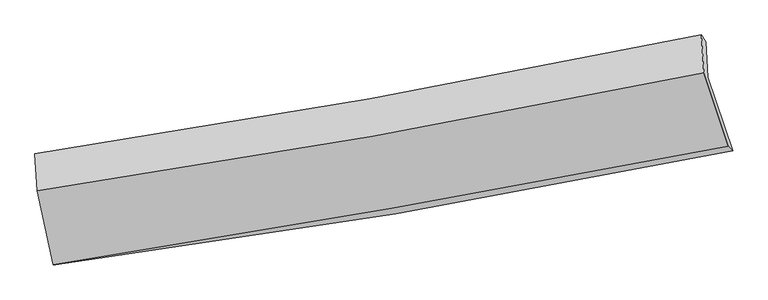
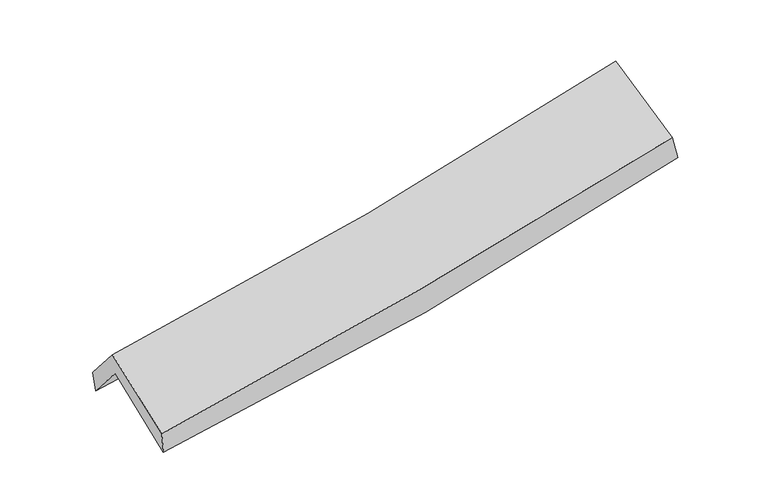
"""IFC4 building model written with IfcOpenShell, lengths in millimetres: proxy geometry."""

import ifcopenshell
import ifcopenshell.guid

model = None  # the IFC model being written
_history = None  # IfcOwnerHistory: only IFC2X3 demands one
_inside = {}  # id of a spatial element -> (the spatial element, [elements in it])
_under = {}  # id of a project, library or spatial element -> (it, [spatial elements below it])
_declared = {}  # id of a project -> (the project, [libraries it declares])
_typed = {}  # id of a type object -> (the type object, [elements of that type])
_made_of = {}  # id of a material, layer set ... -> (it, [elements and type objects made of it])


def new_model(schema):
    """Start an empty IFC model of exactly this schema.

    Asked for "IFC4X3", IfcOpenShell would pick the latest addendum, in which some entities
    have other attributes; the version numbers below select the first issue.
    IFC2X3 requires an IfcOwnerHistory on every rooted entity: one is made here for all.
    """
    global model, _history
    if schema == "IFC4X3":
        model = ifcopenshell.file(schema_version=(4, 3, 0, 0))
    else:
        model = ifcopenshell.file(schema=schema)
    _inside.clear()
    _under.clear()
    _declared.clear()
    _typed.clear()
    _made_of.clear()
    _history = None
    if model.schema == "IFC2X3":
        org = make("IfcOrganization", Name="unknown")
        user = make(
            "IfcPersonAndOrganization",
            ThePerson=make("IfcPerson", FamilyName="unknown"),
            TheOrganization=org,
        )
        app = make(
            "IfcApplication",
            ApplicationDeveloper=org,
            Version="unknown",
            ApplicationFullName="unknown",
            ApplicationIdentifier="unknown",
        )
        _history = make(
            "IfcOwnerHistory",
            OwningUser=user,
            OwningApplication=app,
            ChangeAction="ADDED",
            CreationDate=0,
        )
    return model


def make(cls, **values):
    """One entity of the class cls with the attributes given. An attribute that is None is left unset."""
    return model.create_entity(
        cls, **{name: value for name, value in values.items() if value is not None}
    )


def rooted(cls, **values):
    """An entity with a GlobalId (a new one), such as an element, a storey or a relation."""
    return make(cls, GlobalId=ifcopenshell.guid.new(), OwnerHistory=_history, **values)


def si_unit(unit_type, name, prefix=None):
    """IfcSIUnit, for example si_unit("LENGTHUNIT", "METRE", prefix="MILLI")."""
    return make("IfcSIUnit", UnitType=unit_type, Prefix=prefix, Name=name)


def assignment(units):
    """IfcUnitAssignment: the units of a project."""
    return None if units is None else make("IfcUnitAssignment", Units=units)


def point(xyz):
    """IfcCartesianPoint."""
    return None if xyz is None else make("IfcCartesianPoint", Coordinates=xyz)


def direction(xyz):
    """IfcDirection."""
    return None if xyz is None else make("IfcDirection", DirectionRatios=xyz)


def frame(location, z_axis=None, x_axis=None):
    """IfcAxis2Placement3D, a coordinate frame: its origin and axes. An axis left out is left unset."""
    return make(
        "IfcAxis2Placement3D",
        Location=point(location),
        Axis=direction(z_axis),
        RefDirection=direction(x_axis),
    )


def origin():
    """The frame at (0, 0, 0) with its axes left unset."""
    return frame((0.0, 0.0, 0.0))


def place(relative_to, where):
    """IfcLocalPlacement: puts the frame where relative to a parent placement (None: the world)."""
    return make(
        "IfcLocalPlacement", PlacementRelTo=relative_to, RelativePlacement=where
    )


def context(
    kind, dimensions, precision=None, world=None, true_north=None, identifier=None
):
    """IfcGeometricRepresentationContext, for example the 3D "Model" context."""
    return make(
        "IfcGeometricRepresentationContext",
        ContextIdentifier=identifier,
        ContextType=kind,
        CoordinateSpaceDimension=dimensions,
        Precision=precision,
        WorldCoordinateSystem=world,
        TrueNorth=true_north,
    )


def project(units=None, contexts=None):
    """IfcProject with its units and contexts."""
    return rooted(
        "IfcProject",
        Name="project",
        RepresentationContexts=contexts,
        UnitsInContext=assignment(units),
    )


def spatial(cls, under=None, at=None, **own):
    """A site, building, storey or space (cls), placed at a placement, below another one or the project."""
    s = rooted(cls, ObjectPlacement=at, **own)
    if under is not None:
        _under.setdefault(under.id(), (under, []))[1].append(s)
    return s


def shape(context_of_items, identifier, shape_type, items):
    """IfcShapeRepresentation: the items that make up one representation, for example the "Body"."""
    return make(
        "IfcShapeRepresentation",
        ContextOfItems=context_of_items,
        RepresentationIdentifier=identifier,
        RepresentationType=shape_type,
        Items=items,
    )


def source(mapping_origin, context_of_items, identifier, shape_type, items):
    """IfcRepresentationMap: a shape defined once, which mapped items show again and again."""
    return make(
        "IfcRepresentationMap",
        MappingOrigin=mapping_origin,
        MappedRepresentation=shape(context_of_items, identifier, shape_type, items),
    )


def transform(
    local_origin,
    x_axis=None,
    y_axis=None,
    z_axis=None,
    scale=None,
    scale2=None,
    scale3=None,
    uniform=True,
):
    """IfcCartesianTransformationOperator3D, or its non-uniform kind. x_axis, y_axis, z_axis: its Axis1, 2, 3."""
    if uniform:
        return make(
            "IfcCartesianTransformationOperator3D",
            Axis1=direction(x_axis),
            Axis2=direction(y_axis),
            LocalOrigin=point(local_origin),
            Scale=scale,
            Axis3=direction(z_axis),
        )
    return make(
        "IfcCartesianTransformationOperator3DnonUniform",
        Axis1=direction(x_axis),
        Axis2=direction(y_axis),
        LocalOrigin=point(local_origin),
        Scale=scale,
        Axis3=direction(z_axis),
        Scale2=scale2,
        Scale3=scale3,
    )


def mapped(mapping_source, mapping_target):
    """IfcMappedItem: shows the shape of a source again, moved by a transform."""
    return make(
        "IfcMappedItem", MappingSource=mapping_source, MappingTarget=mapping_target
    )


def made_of(thing, what):
    """Note that an element or type object is made of a material, layer set ...; save() writes the relation."""
    if what is not None:
        _made_of.setdefault(what.id(), (what, []))[1].append(thing)
    return thing


def element(
    cls,
    number,
    at=None,
    inside=None,
    cuts=None,
    type_object=None,
    material=None,
    context=None,
    identifier="Body",
    shape_type=None,
    held_by="IfcProductDefinitionShape",
    body=None,
    shapes=None,
    **own,
):
    """One element of the class cls, such as IfcWall. Its Tag is "e" and its number.

    at: its placement. inside: the storey or other place that contains it. cuts: it is an
    opening in that element (IfcRelVoidsElement). A single representation is given by context,
    identifier, shape_type and body (its items); several are given by shapes. held_by: the class
    of the entity that holds the representations. save() writes the other relations.
    """
    e = rooted(cls, Tag="e%d" % number, ObjectPlacement=at, **own)
    if body is not None:
        shapes = [shape(context, identifier, shape_type, body)]
    if shapes is not None:
        e.Representation = make(held_by, Representations=shapes)
    if inside is not None:
        _inside.setdefault(inside.id(), (inside, []))[1].append(e)
    if cuts is not None:
        rooted(
            "IfcRelVoidsElement", RelatingBuildingElement=cuts, RelatedOpeningElement=e
        )
    if type_object is not None:
        _typed.setdefault(type_object.id(), (type_object, []))[1].append(e)
    return made_of(e, material)


def aggregate(whole, parts):
    """IfcRelAggregates: a whole, such as a stair, and the parts it consists of."""
    return rooted("IfcRelAggregates", RelatingObject=whole, RelatedObjects=parts)


def save(model, path):
    """Write the relations noted so far, then the file.

    IfcRelAggregates (storeys below a building ...), IfcRelContainedInSpatialStructure (elements
    in a storey), IfcRelDefinesByType, IfcRelAssociatesMaterial and IfcRelDeclares: one each for
    every whole, place, type object, material and project.
    """
    for whole, parts in _under.values():
        aggregate(whole, parts)
    for where, things in _inside.values():
        rooted(
            "IfcRelContainedInSpatialStructure",
            RelatedElements=things,
            RelatingStructure=where,
        )
    for kind, things in _typed.values():
        rooted("IfcRelDefinesByType", RelatedObjects=things, RelatingType=kind)
    for what, things in _made_of.values():
        rooted("IfcRelAssociatesMaterial", RelatedObjects=things, RelatingMaterial=what)
    for by, libraries in _declared.values():
        rooted("IfcRelDeclares", RelatingContext=by, RelatedDefinitions=libraries)
    model.write(path)


def plane_surface(at):
    """IfcPlane: the flat surface through the origin of the frame at, square to its z axis."""
    return make("IfcPlane", Position=at)


def spline_curve(degree, points, multiplicities, knots, weights=None):
    """IfcBSplineCurveWithKnots; with weights, IfcRationalBSplineCurveWithKnots."""
    own = dict(
        Degree=degree,
        ControlPointsList=[point(p) for p in points],
        CurveForm="UNSPECIFIED",
        ClosedCurve=False,
        SelfIntersect=False,
        KnotMultiplicities=multiplicities,
        Knots=knots,
        KnotSpec="UNSPECIFIED",
    )
    if weights is None:
        return make("IfcBSplineCurveWithKnots", **own)
    return make("IfcRationalBSplineCurveWithKnots", WeightsData=weights, **own)


def spline_surface(u_degree, v_degree, points, u_multiplicities, v_multiplicities, u_knots, v_knots, weights=None):
    """IfcBSplineSurfaceWithKnots; with weights, IfcRationalBSplineSurfaceWithKnots. points: one row for each step in u."""
    own = dict(
        UDegree=u_degree,
        VDegree=v_degree,
        ControlPointsList=[[point(p) for p in row] for row in points],
        SurfaceForm="UNSPECIFIED",
        UClosed=False,
        VClosed=False,
        SelfIntersect=False,
        UMultiplicities=u_multiplicities,
        VMultiplicities=v_multiplicities,
        UKnots=u_knots,
        VKnots=v_knots,
        KnotSpec="UNSPECIFIED",
    )
    if weights is None:
        return make("IfcBSplineSurfaceWithKnots", **own)
    return make("IfcRationalBSplineSurfaceWithKnots", WeightsData=weights, **own)


def advanced_brep(points, edges, surfaces, faces):
    """IfcAdvancedBrep: a solid bounded by faces that lie on surfaces and meet in shared edges.

    An edge is (start, end): straight between two places in points (the first is 0);
    or (start, end, curve); or (start, end, curve, False) where it runs against its curve.
    A face is (place in surfaces, loops), or (place, loops, False) where it looks against
    its surface's normal. A loop lists edges by number (the first is 1), with a minus sign
    where the edge is run from its end to its start. The first loop is the outer one.
    """
    corners = [point(p) for p in points]
    vertices = [make("IfcVertexPoint", VertexGeometry=c) for c in corners]
    made = []
    for start, end, *more in edges:
        made.append(
            make(
                "IfcEdgeCurve",
                EdgeStart=vertices[start],
                EdgeEnd=vertices[end],
                EdgeGeometry=more[0] if more else make("IfcPolyline", Points=[corners[start], corners[end]]),
                SameSense=more[1] if len(more) > 1 else True,
            )
        )
    hull = []
    for where, loops, *sense in faces:
        bounds = []
        for j, loop in enumerate(loops):
            ring = [make("IfcOrientedEdge", EdgeElement=made[abs(k) - 1], Orientation=k > 0) for k in loop]
            bounds.append(
                make(
                    "IfcFaceOuterBound" if j == 0 else "IfcFaceBound",
                    Bound=make("IfcEdgeLoop", EdgeList=ring),
                    Orientation=True,
                )
            )
        hull.append(make("IfcAdvancedFace", Bounds=bounds, FaceSurface=surfaces[where], SameSense=sense[0] if sense else True))
    return make("IfcAdvancedBrep", Outer=make("IfcClosedShell", CfsFaces=hull))


def generic_models_e5cb8df9(model_context):
    return source(origin(), model_context, "Body", "AdvancedBrep", [
        advanced_brep(
        [(-2248.9192655, -2464.6265249, 1493.8698505), (-2357.9026254, -1964.7365566, 1914.7969935), (2272.7599665, -1166.3927147, 2359.6089862), (2443.0192047, -1674.2750844, 1939.3156038), (-2373.2070206, -1713.3210426, 1617.2120262), (2258.9164819, -919.9525564, 2052.9849388), (-2388.0262068, -1695.7259349, 1773.6095667), (2226.9038592, -873.7502812, 2213.8947077), (-2372.4770786, -1950.7984231, 2075.2378954), (2243.7106195, -1134.9837087, 2523.0945697), (-2261.5743883, -2464.7175803, 1657.1832802), (2414.161854, -1645.2302227, 2105.3032327)],
        [
            (0, 1),
            (1, 2, spline_curve(3, [(-2357.9026254, -1964.7365566, 1914.7969935), (-1576.915722133, -1863.172532336, 1963.337030726), (-799.939734198, -1745.733733691, 2024.752366059), (743.589585786, -1479.520658918, 2173.102887362), (1510.167795595, -1330.844843494, 2259.958216197), (2272.7599665, -1166.3927147, 2359.6089862)], [4, 2, 4], [0.0, 7.806280352881446, 15.588314454557748])),
            (2, 3),
            (3, 0, spline_curve(3, [(2443.0192047, -1674.2750844, 1939.3156038), (1669.607147274, -1832.889982306, 1834.930349826), (892.520129179, -1977.978679316, 1745.651447785), (-671.436425156, -2241.513577224, 1597.075250816), (-1458.328897119, -2359.8753603, 1537.872234867), (-2248.9192655, -2464.6265249, 1493.8698505)], [4, 2, 4], [0.0, 7.782034101676302, 15.588314454557748])),
            (1, 4),
            (4, 5, spline_curve(3, [(-2373.2070206, -1713.3210426, 1617.2120262), (-1591.357022494, -1616.600475431, 1664.159666294), (-813.828037238, -1501.995542329, 1724.024440027), (730.186329978, -1237.42845529, 1869.362193888), (1496.698512043, -1087.577226167, 1954.755058022), (2258.9164819, -919.9525564, 2052.9849388)], [4, 2, 4], [0.0, 7.758041907006024, 15.491987391076396])),
            (5, 2),
            (4, 6),
            (6, 7, spline_curve(3, [(-2388.0262068, -1695.7259349, 1773.6095667), (-1611.598629781, -1579.253114952, 1822.758403127), (-838.21388467, -1452.396064357, 1884.099252585), (700.077264372, -1178.339773484, 2030.936585068), (1465.00254152, -1031.204939266, 2116.357449432), (2226.9038592, -873.7502812, 2213.8947077)], [4, 2, 4], [0.0, 7.747600807830886, 15.47113762270583])),
            (7, 5),
            (6, 8),
            (8, 9, spline_curve(3, [(-2372.4770786, -1950.7984231, 2075.2378954), (-1595.84457333, -1835.31303515, 2125.591293433), (-822.252394616, -1709.463942868, 2188.166412331), (716.457981048, -1437.461425309, 2337.527773817), (1481.595034974, -1291.372279566, 2424.238212974), (2243.7106195, -1134.9837087, 2523.0945697)], [4, 2, 4], [0.0, 7.738078345512216, 15.452122274768664])),
            (9, 7),
            (8, 10),
            (10, 11, spline_curve(3, [(-2261.5743883, -2464.7175803, 1657.1832802), (-1477.145158205, -2341.296862299, 1713.56246202), (-694.682852877, -2211.179269679, 1779.167794651), (863.883695181, -1937.975281081, 1928.598335694), (1640.000137258, -1794.930420807, 2012.36632062), (2414.161854, -1645.2302227, 2105.3032327)], [4, 2, 4], [0.0, 7.786769068068818, 15.549352486844224])),
            (11, 9),
            (10, 0),
            (3, 11),
        ],
        [
            spline_surface(3, 3, [[(-2248.9192655, -2464.6265249, 1493.8698505), (-1458.328897165, -2359.875360312, 1537.872234878), (-671.436425216, -2241.513577189, 1597.075250693), (892.52012924, -1977.978679351, 1745.651447908), (1669.607147369, -1832.889982321, 1834.930349888), (2443.0192047, -1674.2750844, 1939.3156038)], [(-2285.247052134, -2297.996535476, 1634.178898153), (-1497.857838798, -2194.307750976, 1679.693833467), (-714.270861598, -2076.253629353, 1739.634289164), (842.876614784, -1811.826005897, 1888.135261038), (1616.460696738, -1665.541602768, 1976.606305295), (2386.266125294, -1504.98096118, 2079.413397931)], [(-2321.574838766, -2131.366546024, 1774.487945847), (-1537.386780428, -2028.740141613, 1821.515432098), (-757.105297941, -1910.993681487, 1882.193327644), (793.233100367, -1645.673332411, 2030.619074176), (1563.314246124, -1498.193223175, 2118.282260708), (2329.513045906, -1335.68683792, 2219.511192069)], [(-2357.9026254, -1964.7365566, 1914.7969935), (-1576.915722061, -1863.172532277, 1963.337030688), (-799.939734322, -1745.733733651, 2024.752366115), (743.589585911, -1479.520658957, 2173.102887305), (1510.167795493, -1330.844843622, 2259.958216116), (2272.7599665, -1166.3927147, 2359.6089862)]], [4, 4], [4, 2, 4], [0.0, 2.1988192320928834], [0.0, 7.806280352881446, 15.588314454557748]),
            spline_surface(3, 3, [[(-2357.9026254, -1964.7365566, 1914.7969935), (-1576.915722061, -1863.172532277, 1963.337030688), (-799.939734322, -1745.733733651, 2024.752366115), (743.589585911, -1479.520658957, 2173.102887305), (1510.167795493, -1330.844843622, 2259.958216116), (2272.7599665, -1166.3927147, 2359.6089862)], [(-2363.004090477, -1880.931385267, 1815.602004402), (-1581.729488909, -1780.981846629, 1863.611242594), (-804.569168612, -1664.487669841, 1924.509724082), (739.121833913, -1398.82325773, 2071.855989534), (1505.678034339, -1249.755637863, 2158.223830054), (2268.145471628, -1084.245995284, 2257.400970411)], [(-2368.105555523, -1797.126213933, 1716.407015298), (-1586.543255726, -1698.791160981, 1763.885454495), (-809.198602895, -1583.241606092, 1824.267082003), (734.654081924, -1318.125856564, 1970.609091717), (1501.188273201, -1168.666432053, 2056.489443958), (2263.530976772, -1002.099275816, 2155.192954589)], [(-2373.2070206, -1713.3210426, 1617.2120262), (-1591.357022575, -1616.600475333, 1664.159666402), (-813.828037185, -1501.995542282, 1724.02443997), (730.186329926, -1237.428455337, 1869.362193945), (1496.698512047, -1087.577226294, 1954.755057896), (2258.9164819, -919.9525564, 2052.9849388)]], [4, 4], [4, 2, 4], [0.0, 1.2729405846114539], [0.0, 7.758041907006024, 15.491987391076396]),
            spline_surface(3, 3, [[(-2373.2070206, -1713.3210426, 1617.2120262), (-1591.357022575, -1616.600475333, 1664.159666402), (-813.828037185, -1501.995542282, 1724.02443997), (730.186329926, -1237.428455337, 1869.362193945), (1496.698512047, -1087.577226294, 1954.755057896), (2258.9164819, -919.9525564, 2052.9849388)], [(-2378.146749317, -1707.456006681, 1669.344539721), (-1598.104224951, -1604.151355173, 1717.025911958), (-821.956653039, -1485.462383024, 1777.382710804), (720.149974802, -1217.732228045, 1923.220324333), (1486.13318856, -1068.786463939, 2008.622521707), (2248.245607662, -904.551797999, 2106.621528424)], [(-2383.086478083, -1701.590970819, 1721.477053179), (-1604.851427377, -1591.70223507, 1769.892157451), (-830.085268944, -1468.929223702, 1830.740981673), (710.113619625, -1198.036000689, 1977.078454757), (1475.567865087, -1049.995701588, 2062.489985546), (2237.574733438, -889.151039601, 2160.258118076)], [(-2388.0262068, -1695.7259349, 1773.6095667), (-1611.598629753, -1579.25311491, 1822.758403008), (-838.213884798, -1452.396064444, 1884.099252508), (700.0772645, -1178.339773397, 2030.936585145), (1465.002541599, -1031.204939233, 2116.357449357), (2226.9038592, -873.7502812, 2213.8947077)]], [4, 4], [4, 2, 4], [0.0, 0.5640507895441444], [0.0, 7.747600807830886, 15.47113762270583]),
            spline_surface(3, 3, [[(-2388.0262068, -1695.7259349, 1773.6095667), (-1611.598629753, -1579.25311491, 1822.758403008), (-838.213884798, -1452.396064444, 1884.099252508), (700.0772645, -1178.339773397, 2030.936585145), (1465.002541599, -1031.204939233, 2116.357449357), (2226.9038592, -873.7502812, 2213.8947077)], [(-2382.843164086, -1780.750097636, 1874.152342913), (-1606.347277609, -1664.606421654, 1923.702699799), (-832.893388076, -1538.08535721, 1985.454972473), (705.537503318, -1264.713657409, 2133.133648018), (1470.533372754, -1117.927386034, 2218.984370544), (2232.506112661, -960.828090368, 2316.961328378)], [(-2377.660121314, -1865.774260364, 1974.695119187), (-1601.095925407, -1749.959728389, 2024.64699665), (-827.572891298, -1623.774649977, 2086.810692428), (710.997742191, -1351.087541423, 2235.33071088), (1476.064203827, -1204.649832833, 2321.611291696), (2238.108366039, -1047.905899532, 2420.027949022)], [(-2372.4770786, -1950.7984231, 2075.2378954), (-1595.844573263, -1835.313035134, 2125.591293441), (-822.252394576, -1709.463942742, 2188.166412394), (716.457981009, -1437.461425435, 2337.527773754), (1481.595034982, -1291.372279634, 2424.238212883), (2243.7106195, -1134.9837087, 2523.0945697)]], [4, 4], [4, 2, 4], [0.0, 1.312730624101726], [0.0, 7.738078345512216, 15.452122274768664]),
            spline_surface(3, 3, [[(-2372.4770786, -1950.7984231, 2075.2378954), (-1595.844573263, -1835.313035134, 2125.591293441), (-822.252394576, -1709.463942742, 2188.166412394), (716.457981009, -1437.461425435, 2337.527773754), (1481.595034982, -1291.372279634, 2424.238212883), (2243.7106195, -1134.9837087, 2523.0945697)], [(-2335.509515147, -2122.104808859, 1935.886356998), (-1556.278101529, -2003.974310843, 1988.248349595), (-779.729213965, -1876.702385069, 2051.833539782), (765.599885723, -1604.299377261, 2201.217961099), (1534.396735723, -1459.224993367, 2286.947582131), (2300.527697663, -1305.065880033, 2383.830790707)], [(-2298.541951753, -2293.411194541, 1796.534818602), (-1516.711629854, -2172.635586475, 1850.905405756), (-737.206033406, -2043.940827458, 1915.500667169), (814.741790386, -1771.137329148, 2064.908148442), (1587.198436475, -1627.077707099, 2149.656951357), (2357.344775837, -1475.148051367, 2244.567011693)], [(-2261.5743883, -2464.7175803, 1657.1832802), (-1477.145158121, -2341.296862185, 1713.56246191), (-694.682852796, -2211.179269786, 1779.167794557), (863.8836951, -1937.975280974, 1928.598335787), (1640.000137216, -1794.930420832, 2012.366320604), (2414.161854, -1645.2302227, 2105.3032327)]], [4, 4], [4, 2, 4], [0.0, 2.1694924931574584], [0.0, 7.786769068068818, 15.549352486844224]),
            spline_surface(3, 3, [[(-2261.5743883, -2464.7175803, 1657.1832802), (-1477.145158121, -2341.296862185, 1713.56246191), (-694.682852796, -2211.179269786, 1779.167794557), (863.8836951, -1937.975280974, 1928.598335787), (1640.000137216, -1794.930420832, 2012.366320604), (2414.161854, -1645.2302227, 2105.3032327)], [(-2257.356014039, -2464.687228481, 1602.745470313), (-1470.873071141, -2347.489694875, 1654.999052912), (-686.934043603, -2221.290705596, 1718.470279931), (873.429173146, -1951.309747109, 1867.616039823), (1649.869140593, -1807.583607965, 1953.220997013), (2423.780970893, -1654.911843237, 2049.974023048)], [(-2253.137639761, -2464.656876719, 1548.307660387), (-1464.600984145, -2353.682527622, 1596.435643876), (-679.185234409, -2231.402141378, 1657.772765319), (882.974651194, -1964.644213216, 1806.633743873), (1659.738143992, -1820.236795188, 1894.075673479), (2433.400087807, -1664.593463863, 1994.644813452)], [(-2248.9192655, -2464.6265249, 1493.8698505), (-1458.328897165, -2359.875360312, 1537.872234878), (-671.436425216, -2241.513577189, 1597.075250693), (892.52012924, -1977.978679351, 1745.651447908), (1669.607147369, -1832.889982321, 1834.930349888), (2443.0192047, -1674.2750844, 1939.3156038)]], [4, 4], [4, 2, 4], [0.0, 0.6157259420389729], [0.0, 7.844541547746151, 15.66471800528828]),
            plane_surface(frame((2309.9119976, -1235.7640947, 2199.0336731), z_axis=(0.9675440378007975, 0.21650349449714903, 0.13032563748799536), x_axis=(0.2502432361733761, -0.7491042191220353, -0.6133687240502582))),
            plane_surface(frame((-2333.6844309, -2042.3210104, 1755.3182687), z_axis=(-0.9856483802428797, -0.15050214289603228, -0.07646159498918464), x_axis=(-0.07725816682577362, -0.0005558837945079304, 0.9970109661643286))),
        ],
        [
            (0, [[1, 2, 3, 4]]),
            (1, [[5, 6, 7, -2]]),
            (2, [[8, 9, 10, -6]]),
            (3, [[11, 12, 13, -9]]),
            (4, [[14, 15, 16, -12]]),
            (5, [[17, -4, 18, -15]]),
            (6, [[-16, -18, -3, -7, -10, -13]]),
            (7, [[-17, -14, -11, -8, -5, -1]]),
        ],
    ),
    ])


if __name__ == "__main__":
    model = new_model("IFC4")
    model_context = context("Model", 3, world=origin())
    ifc_project = project(units=[si_unit("LENGTHUNIT", "METRE", prefix="MILLI")], contexts=[model_context])
    site = spatial("IfcSite", under=ifc_project)
    building = spatial("IfcBuilding", under=site)
    placement = place(None, origin())
    generic_models_shape = generic_models_e5cb8df9(model_context)
    element("IfcBuildingElementProxy", 1, Name="Generic Models", at=placement, inside=building, context=model_context, shape_type="MappedRepresentation", body=[
        mapped(generic_models_shape, transform((0.0, 0.0, 0.0), x_axis=(1.0, 0.0, 0.0), y_axis=(0.0, 1.0, 0.0), z_axis=(0.0, 0.0, 1.0))),
    ])
    save(model, "model.ifc")
